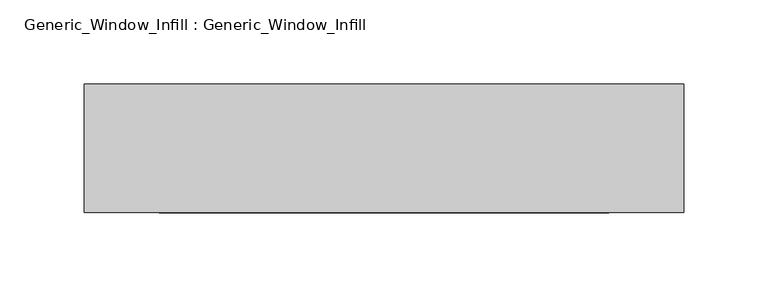
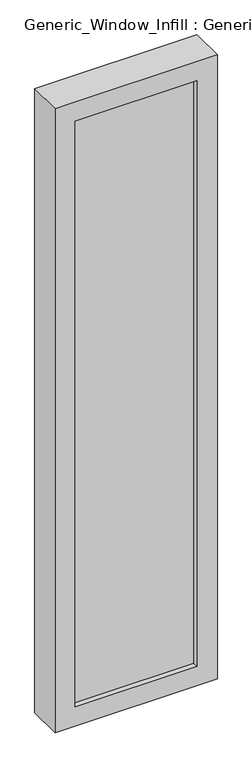
"""IFC4 building model written with IfcOpenShell, lengths in millimetres: plate geometry, Generic_Window_Infill : Generic_Window_Infill."""

from ifc_helpers import new_model, si_unit, frame, origin, place, context, project, spatial, polyline, outline, extrude, source, transform, mapped, element, save


def generic_window_infill_generic_window_infill_9ba3e464(model_context):
    return source(origin(), model_context, "Body", "SweptSolid", [
        extrude(outline(polyline([(133.35, 12.0261239), (-133.35, 12.0261239), (-133.35, 42.4497356), (133.35, 42.4497356), (133.35, 12.0261239)])), frame((0.0, 0.0, 44.45), z_axis=(0.0, 0.0, 1.0), x_axis=(1.0, 0.0, 0.0)), (0.0, 0.0, 1.0), 1355.725),
        extrude(outline(polyline([(1444.625, 177.8), (1444.625, -177.8), (0.0, -177.8), (0.0, 177.8), (1444.625, 177.8)]), holes=[polyline([(44.45, 133.35), (44.45, -133.35), (1400.175, -133.35), (1400.175, 133.35), (44.45, 133.35)])]), frame((0.0, 0.0, 0.0), z_axis=(0.0, 1.0, 0.0), x_axis=(0.0, 0.0, 1.0)), (0.0, 0.0, 1.0), 76.2),
    ])


if __name__ == "__main__":
    model = new_model("IFC4")
    model_context = context("Model", 3, world=origin())
    ifc_project = project(units=[si_unit("LENGTHUNIT", "METRE", prefix="MILLI")], contexts=[model_context])
    site = spatial("IfcSite", under=ifc_project)
    building = spatial("IfcBuilding", under=site)
    placement = place(None, origin())
    generic_window_infill_generic_window_infill_shape = generic_window_infill_generic_window_infill_9ba3e464(model_context)
    element("IfcPlate", 1, ObjectType="Generic_Window_Infill : Generic_Window_Infill", at=placement, inside=building, context=model_context, shape_type="MappedRepresentation", body=[
        mapped(generic_window_infill_generic_window_infill_shape, transform((0.0, 0.0, 0.0), x_axis=(1.0, 0.0, 0.0), y_axis=(0.0, 1.0, 0.0), z_axis=(0.0, 0.0, 1.0))),
    ])
    save(model, "model.ifc")
